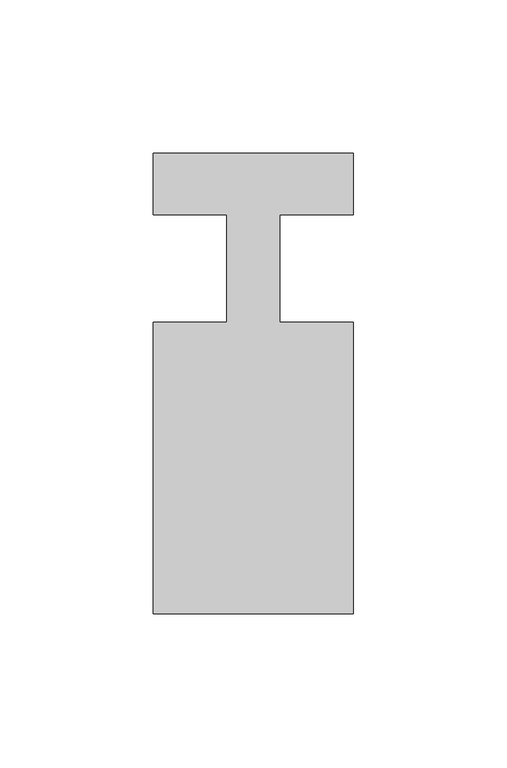
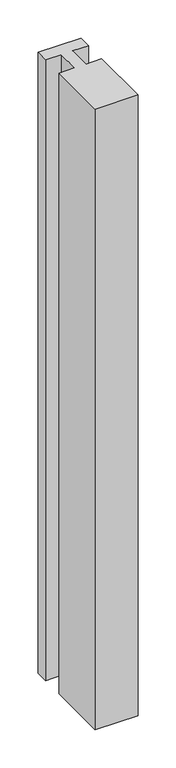
"""IFC4 building model written with IfcOpenShell, lengths in millimetres: member geometry."""

import ifcopenshell
import ifcopenshell.guid

model = None  # the IFC model being written
_history = None  # IfcOwnerHistory: only IFC2X3 demands one
_inside = {}  # id of a spatial element -> (the spatial element, [elements in it])
_under = {}  # id of a project, library or spatial element -> (it, [spatial elements below it])
_declared = {}  # id of a project -> (the project, [libraries it declares])
_typed = {}  # id of a type object -> (the type object, [elements of that type])
_made_of = {}  # id of a material, layer set ... -> (it, [elements and type objects made of it])


def new_model(schema):
    """Start an empty IFC model of exactly this schema.

    Asked for "IFC4X3", IfcOpenShell would pick the latest addendum, in which some entities
    have other attributes; the version numbers below select the first issue.
    IFC2X3 requires an IfcOwnerHistory on every rooted entity: one is made here for all.
    """
    global model, _history
    if schema == "IFC4X3":
        model = ifcopenshell.file(schema_version=(4, 3, 0, 0))
    else:
        model = ifcopenshell.file(schema=schema)
    _inside.clear()
    _under.clear()
    _declared.clear()
    _typed.clear()
    _made_of.clear()
    _history = None
    if model.schema == "IFC2X3":
        org = make("IfcOrganization", Name="unknown")
        user = make(
            "IfcPersonAndOrganization",
            ThePerson=make("IfcPerson", FamilyName="unknown"),
            TheOrganization=org,
        )
        app = make(
            "IfcApplication",
            ApplicationDeveloper=org,
            Version="unknown",
            ApplicationFullName="unknown",
            ApplicationIdentifier="unknown",
        )
        _history = make(
            "IfcOwnerHistory",
            OwningUser=user,
            OwningApplication=app,
            ChangeAction="ADDED",
            CreationDate=0,
        )
    return model


def make(cls, **values):
    """One entity of the class cls with the attributes given. An attribute that is None is left unset."""
    return model.create_entity(
        cls, **{name: value for name, value in values.items() if value is not None}
    )


def rooted(cls, **values):
    """An entity with a GlobalId (a new one), such as an element, a storey or a relation."""
    return make(cls, GlobalId=ifcopenshell.guid.new(), OwnerHistory=_history, **values)


def si_unit(unit_type, name, prefix=None):
    """IfcSIUnit, for example si_unit("LENGTHUNIT", "METRE", prefix="MILLI")."""
    return make("IfcSIUnit", UnitType=unit_type, Prefix=prefix, Name=name)


def assignment(units):
    """IfcUnitAssignment: the units of a project."""
    return None if units is None else make("IfcUnitAssignment", Units=units)


def point(xyz):
    """IfcCartesianPoint."""
    return None if xyz is None else make("IfcCartesianPoint", Coordinates=xyz)


def direction(xyz):
    """IfcDirection."""
    return None if xyz is None else make("IfcDirection", DirectionRatios=xyz)


def frame(location, z_axis=None, x_axis=None):
    """IfcAxis2Placement3D, a coordinate frame: its origin and axes. An axis left out is left unset."""
    return make(
        "IfcAxis2Placement3D",
        Location=point(location),
        Axis=direction(z_axis),
        RefDirection=direction(x_axis),
    )


def origin():
    """The frame at (0, 0, 0) with its axes left unset."""
    return frame((0.0, 0.0, 0.0))


def place(relative_to, where):
    """IfcLocalPlacement: puts the frame where relative to a parent placement (None: the world)."""
    return make(
        "IfcLocalPlacement", PlacementRelTo=relative_to, RelativePlacement=where
    )


def context(
    kind, dimensions, precision=None, world=None, true_north=None, identifier=None
):
    """IfcGeometricRepresentationContext, for example the 3D "Model" context."""
    return make(
        "IfcGeometricRepresentationContext",
        ContextIdentifier=identifier,
        ContextType=kind,
        CoordinateSpaceDimension=dimensions,
        Precision=precision,
        WorldCoordinateSystem=world,
        TrueNorth=true_north,
    )


def project(units=None, contexts=None):
    """IfcProject with its units and contexts."""
    return rooted(
        "IfcProject",
        Name="project",
        RepresentationContexts=contexts,
        UnitsInContext=assignment(units),
    )


def spatial(cls, under=None, at=None, **own):
    """A site, building, storey or space (cls), placed at a placement, below another one or the project."""
    s = rooted(cls, ObjectPlacement=at, **own)
    if under is not None:
        _under.setdefault(under.id(), (under, []))[1].append(s)
    return s


def polyline(points):
    """IfcPolyline through the points."""
    return make("IfcPolyline", Points=[point(p) for p in points])


def outline(outer, holes=None, kind="AREA"):
    """IfcArbitraryClosedProfileDef: a profile drawn as a closed curve; with holes, ...WithVoids."""
    if holes is None:
        return make("IfcArbitraryClosedProfileDef", ProfileType=kind, OuterCurve=outer)
    return make(
        "IfcArbitraryProfileDefWithVoids",
        ProfileType=kind,
        OuterCurve=outer,
        InnerCurves=holes,
    )


def extrude(swept, where, along, depth):
    """IfcExtrudedAreaSolid: the profile swept, set in the frame where, extruded along a direction by depth."""
    return make(
        "IfcExtrudedAreaSolid",
        SweptArea=swept,
        Position=where,
        ExtrudedDirection=direction(along),
        Depth=depth,
    )


def shape(context_of_items, identifier, shape_type, items):
    """IfcShapeRepresentation: the items that make up one representation, for example the "Body"."""
    return make(
        "IfcShapeRepresentation",
        ContextOfItems=context_of_items,
        RepresentationIdentifier=identifier,
        RepresentationType=shape_type,
        Items=items,
    )


def source(mapping_origin, context_of_items, identifier, shape_type, items):
    """IfcRepresentationMap: a shape defined once, which mapped items show again and again."""
    return make(
        "IfcRepresentationMap",
        MappingOrigin=mapping_origin,
        MappedRepresentation=shape(context_of_items, identifier, shape_type, items),
    )


def transform(
    local_origin,
    x_axis=None,
    y_axis=None,
    z_axis=None,
    scale=None,
    scale2=None,
    scale3=None,
    uniform=True,
):
    """IfcCartesianTransformationOperator3D, or its non-uniform kind. x_axis, y_axis, z_axis: its Axis1, 2, 3."""
    if uniform:
        return make(
            "IfcCartesianTransformationOperator3D",
            Axis1=direction(x_axis),
            Axis2=direction(y_axis),
            LocalOrigin=point(local_origin),
            Scale=scale,
            Axis3=direction(z_axis),
        )
    return make(
        "IfcCartesianTransformationOperator3DnonUniform",
        Axis1=direction(x_axis),
        Axis2=direction(y_axis),
        LocalOrigin=point(local_origin),
        Scale=scale,
        Axis3=direction(z_axis),
        Scale2=scale2,
        Scale3=scale3,
    )


def mapped(mapping_source, mapping_target):
    """IfcMappedItem: shows the shape of a source again, moved by a transform."""
    return make(
        "IfcMappedItem", MappingSource=mapping_source, MappingTarget=mapping_target
    )


def made_of(thing, what):
    """Note that an element or type object is made of a material, layer set ...; save() writes the relation."""
    if what is not None:
        _made_of.setdefault(what.id(), (what, []))[1].append(thing)
    return thing


def element(
    cls,
    number,
    at=None,
    inside=None,
    cuts=None,
    type_object=None,
    material=None,
    context=None,
    identifier="Body",
    shape_type=None,
    held_by="IfcProductDefinitionShape",
    body=None,
    shapes=None,
    **own,
):
    """One element of the class cls, such as IfcWall. Its Tag is "e" and its number.

    at: its placement. inside: the storey or other place that contains it. cuts: it is an
    opening in that element (IfcRelVoidsElement). A single representation is given by context,
    identifier, shape_type and body (its items); several are given by shapes. held_by: the class
    of the entity that holds the representations. save() writes the other relations.
    """
    e = rooted(cls, Tag="e%d" % number, ObjectPlacement=at, **own)
    if body is not None:
        shapes = [shape(context, identifier, shape_type, body)]
    if shapes is not None:
        e.Representation = make(held_by, Representations=shapes)
    if inside is not None:
        _inside.setdefault(inside.id(), (inside, []))[1].append(e)
    if cuts is not None:
        rooted(
            "IfcRelVoidsElement", RelatingBuildingElement=cuts, RelatedOpeningElement=e
        )
    if type_object is not None:
        _typed.setdefault(type_object.id(), (type_object, []))[1].append(e)
    return made_of(e, material)


def aggregate(whole, parts):
    """IfcRelAggregates: a whole, such as a stair, and the parts it consists of."""
    return rooted("IfcRelAggregates", RelatingObject=whole, RelatedObjects=parts)


def save(model, path):
    """Write the relations noted so far, then the file.

    IfcRelAggregates (storeys below a building ...), IfcRelContainedInSpatialStructure (elements
    in a storey), IfcRelDefinesByType, IfcRelAssociatesMaterial and IfcRelDeclares: one each for
    every whole, place, type object, material and project.
    """
    for whole, parts in _under.values():
        aggregate(whole, parts)
    for where, things in _inside.values():
        rooted(
            "IfcRelContainedInSpatialStructure",
            RelatedElements=things,
            RelatingStructure=where,
        )
    for kind, things in _typed.values():
        rooted("IfcRelDefinesByType", RelatedObjects=things, RelatingType=kind)
    for what, things in _made_of.values():
        rooted("IfcRelAssociatesMaterial", RelatedObjects=things, RelatingMaterial=what)
    for by, libraries in _declared.values():
        rooted("IfcRelDeclares", RelatingContext=by, RelatedDefinitions=libraries)
    model.write(path)


def member_3baacdeb(model_context):
    return source(origin(), model_context, "Body", "SweptSolid", [
        extrude(outline(polyline([(0.0, 37.0), (0.0, 17.0), (-23.8125, 17.0), (-23.8125, -18.0), (0.0, -18.0), (0.0, -113.0), (-65.0, -113.0), (-65.0, -18.0), (-41.1875, -18.0), (-41.1875, 17.0), (-65.0, 17.0), (-65.0, 37.0), (0.0, 37.0)])), frame((0.0, 0.0, -994.2857143), z_axis=(0.0, 0.0, 1.0), x_axis=(1.0, 0.0, 0.0)), (0.0, 0.0, 1.0), 994.2857143),
    ])


if __name__ == "__main__":
    model = new_model("IFC4")
    model_context = context("Model", 3, world=origin())
    ifc_project = project(units=[si_unit("LENGTHUNIT", "METRE", prefix="MILLI")], contexts=[model_context])
    site = spatial("IfcSite", under=ifc_project)
    building = spatial("IfcBuilding", under=site)
    placement = place(None, origin())
    member_shape = member_3baacdeb(model_context)
    element("IfcMember", 1, at=placement, inside=building, context=model_context, shape_type="MappedRepresentation", body=[
        mapped(member_shape, transform((0.0, 0.0, 0.0), x_axis=(1.0, 0.0, 0.0), y_axis=(0.0, 1.0, 0.0), z_axis=(0.0, 0.0, 1.0))),
    ])
    save(model, "model.ifc")
